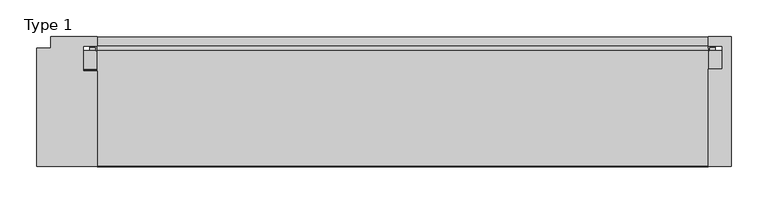
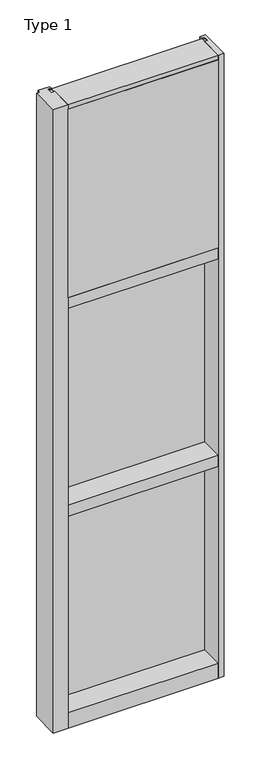
"""IFC4 building model written with IfcOpenShell, lengths in millimetres: plate geometry, Type 1."""

from ifc_helpers import new_model, si_unit, point, frame, frame_2d, origin, place, context, project, spatial, polyline, circle_curve, trimmed, segment, composite_curve, outline, extrude, source, transform, mapped, element, save


def type_1_2dd3aacb(model_context):
    return source(origin(), model_context, "Body", "SweptSolid", [
        extrude(outline(composite_curve([segment(polyline([(-417.5890008, 34.0361122), (-417.9999462, 27.686), (-418.9664521, 27.686), (-418.9939595, 31.7563748)]), True, "CONTINUOUS"), segment(trimmed(circle_curve(frame_2d((-419.628945, 31.7520836)), 0.635), [point((-418.9939595, 31.7563748))], [point((-419.5938642, 32.3861138))], True, "CARTESIAN"), True, "CONTINUOUS"), segment(polyline([(-419.5938642, 32.3861138), (-426.3492251, 32.7598869)]), True, "CONTINUOUS"), segment(trimmed(circle_curve(frame_2d((-426.1666718, 33.7593519)), 1.016), [point((-426.3492251, 32.7598869))], [point((-427.1442504, 34.0361122))], False, "CARTESIAN"), True, "CONTINUOUS"), segment(polyline([(-427.1442504, 34.0361122), (-417.5890008, 34.0361122)]), True, "CONTINUOUS")], self_intersect=False)), frame((0.0, 0.0, 2459.3728643), z_axis=(0.0, 0.0, 1.0), x_axis=(1.0, 0.0, 0.0)), (0.0, 0.0, 1.0), 1134.7271357),
        extrude(outline(composite_curve([segment(polyline([(417.9999462, 27.686), (417.5890008, 34.0361122), (427.1442504, 34.0361122)]), True, "CONTINUOUS"), segment(trimmed(circle_curve(frame_2d((426.1666718, 33.7593519)), 1.016), [point((427.1442504, 34.0361122))], [point((426.3492251, 32.7598869))], False, "CARTESIAN"), True, "CONTINUOUS"), segment(polyline([(426.3492251, 32.7598869), (419.5938642, 32.3861138)]), True, "CONTINUOUS"), segment(trimmed(circle_curve(frame_2d((419.628945, 31.7520836)), 0.635), [point((419.5938642, 32.3861138))], [point((418.9939595, 31.7563748))], True, "CARTESIAN"), True, "CONTINUOUS"), segment(polyline([(418.9939595, 31.7563748), (418.9664521, 27.686), (417.9999462, 27.686)]), True, "CONTINUOUS")], self_intersect=False)), frame((0.0, 0.0, 2459.3728643), z_axis=(0.0, 0.0, 1.0), x_axis=(1.0, 0.0, 0.0)), (0.0, 0.0, 1.0), 1134.7271357),
        extrude(outline(polyline([(34.0361122, 2459.3728643), (27.686, 2459.3728643), (27.686, 2471.8771952), (34.0361122, 2470.1238955), (34.0361122, 2459.3728643)])), frame((-427.1442504, 0.0, 0.0), z_axis=(1.0, 0.0, 0.0), x_axis=(0.0, 1.0, 0.0)), (0.0, 0.0, 1.0), 854.2885007),
        extrude(outline(polyline([(417.5125, -48.514), (417.5125, -131.0159103), (-417.5125, -131.0159103), (-417.5125, -48.514), (417.5125, -48.514)])), frame((0.0, 0.0, 2470.15), z_axis=(0.0, 0.0, 1.0), x_axis=(1.0, 0.0, 0.0)), (0.0, 0.0, 1.0), 1104.9),
        extrude(outline(polyline([(436.5625, 27.686), (436.5625, 2.286), (-436.5625, 2.286), (-436.5625, 27.686), (436.5625, 27.686)])), frame((0.0, 0.0, 2451.1), z_axis=(0.0, 0.0, 1.0), x_axis=(1.0, 0.0, 0.0)), (0.0, 0.0, 1.0), 1143.0),
        extrude(outline(polyline([(-417.5135892, -130.5814), (-500.0635892, -130.5814), (-500.0635892, 31.3944), (-481.0135892, 31.3944), (-481.0135892, 47.2186), (-417.5135892, 47.2186), (-417.5135892, 34.036), (-436.5635892, 34.036), (-436.5635892, 0.0), (-417.5135892, 0.0), (-417.5135892, -130.5814)])), frame((0.0, 0.0, -57.15), z_axis=(0.0, 0.0, 1.0), x_axis=(1.0, 0.0, 0.0)), (0.0, 0.0, 1.0), 3657.6),
        extrude(outline(polyline([(449.2625, -130.5814), (417.5125, -130.5814), (417.5125, 2.286), (436.5625, 2.286), (436.5625, 34.036), (417.5114108, 34.036), (417.5114108, 47.2186), (449.2625, 47.2186), (449.2625, -130.5814)])), frame((0.0, 0.0, -57.15), z_axis=(0.0, 0.0, 1.0), x_axis=(1.0, 0.0, 0.0)), (0.0, 0.0, 1.0), 3657.6),
        extrude(outline(polyline([(27.686, 1252.6752684), (34.036, 1250.9219997), (34.036, 1240.1709644), (27.686, 1240.1709644), (27.686, 1252.6752684)])), frame((-427.1453713, 0.0, 0.0), z_axis=(1.0, 0.0, 0.0), x_axis=(0.0, 1.0, 0.0)), (0.0, 0.0, 1.0), 854.2907427),
        extrude(outline(polyline([(27.6860992, 2417.4309356), (34.0360992, 2417.4309356), (34.0360992, 2406.6798775), (27.6860992, 2404.9266088), (27.6860992, 2417.4309356)])), frame((-427.1453713, 0.0, 0.0), z_axis=(1.0, 0.0, 0.0), x_axis=(0.0, 1.0, 0.0)), (0.0, 0.0, 1.0), 854.2907427),
        extrude(outline(composite_curve([segment(trimmed(circle_curve(frame_2d((-419.6300342, 31.7520836)), 0.635), [point((-418.9950487, 31.7563748))], [point((-419.5949534, 32.3861138))], True, "CARTESIAN"), True, "CONTINUOUS"), segment(polyline([(-419.5949534, 32.3861138), (-426.3503143, 32.7598869)]), True, "CONTINUOUS"), segment(trimmed(circle_curve(frame_2d((-426.1677611, 33.7593519)), 1.016), [point((-426.3503143, 32.7598869))], [point((-427.1453713, 34.036))], False, "CARTESIAN"), True, "CONTINUOUS"), segment(polyline([(-427.1453713, 34.036), (-417.5900972, 34.036), (-418.0010354, 27.686), (-418.9675413, 27.686), (-418.9950487, 31.7563748)]), True, "CONTINUOUS")], self_intersect=False)), frame((0.0, 0.0, 1240.1709644), z_axis=(0.0, 0.0, 1.0), x_axis=(1.0, 0.0, 0.0)), (0.0, 0.0, 1.0), 1177.2580861),
        extrude(outline(composite_curve([segment(polyline([(418.0010354, 27.686), (417.5900972, 34.036), (427.1453713, 34.036)]), True, "CONTINUOUS"), segment(trimmed(circle_curve(frame_2d((426.1677611, 33.7593519)), 1.016), [point((427.1453713, 34.036))], [point((426.3503143, 32.7598869))], False, "CARTESIAN"), True, "CONTINUOUS"), segment(polyline([(426.3503143, 32.7598869), (419.5949534, 32.3861138)]), True, "CONTINUOUS"), segment(trimmed(circle_curve(frame_2d((419.6300342, 31.7520836)), 0.635), [point((419.5949534, 32.3861138))], [point((418.9950487, 31.7563748))], True, "CARTESIAN"), True, "CONTINUOUS"), segment(polyline([(418.9950487, 31.7563748), (418.9675413, 27.686), (418.0010354, 27.686)]), True, "CONTINUOUS")], self_intersect=False)), frame((0.0, 0.0, 1240.1709644), z_axis=(0.0, 0.0, 1.0), x_axis=(1.0, 0.0, 0.0)), (0.0, 0.0, 1.0), 1177.2580861),
        extrude(outline(polyline([(436.5635892, 27.686), (436.5635892, 2.286), (-436.5635892, 2.286), (-436.5635892, 27.686), (436.5635892, 27.686)])), frame((0.0, 0.0, 1231.8962001), z_axis=(0.0, 0.0, 1.0), x_axis=(1.0, 0.0, 0.0)), (0.0, 0.0, 1.0), 1193.8037999),
        extrude(outline(polyline([(27.686, 33.4752684), (34.036, 31.7219997), (34.036, 20.9709644), (27.686, 20.9709644), (27.686, 33.4752684)])), frame((-427.1453713, 0.0, 0.0), z_axis=(1.0, 0.0, 0.0), x_axis=(0.0, 1.0, 0.0)), (0.0, 0.0, 1.0), 854.2907427),
        extrude(outline(polyline([(27.6860992, 1198.2309356), (34.0360992, 1198.2309356), (34.0360992, 1187.4798775), (27.6860992, 1185.7266088), (27.6860992, 1198.2309356)])), frame((-427.1453713, 0.0, 0.0), z_axis=(1.0, 0.0, 0.0), x_axis=(0.0, 1.0, 0.0)), (0.0, 0.0, 1.0), 854.2907427),
        extrude(outline(composite_curve([segment(trimmed(circle_curve(frame_2d((-419.6300342, 31.7520836)), 0.635), [point((-418.9950487, 31.7563748))], [point((-419.5949534, 32.3861138))], True, "CARTESIAN"), True, "CONTINUOUS"), segment(polyline([(-419.5949534, 32.3861138), (-426.3503143, 32.7598869)]), True, "CONTINUOUS"), segment(trimmed(circle_curve(frame_2d((-426.1677611, 33.7593519)), 1.016), [point((-426.3503143, 32.7598869))], [point((-427.1453713, 34.036))], False, "CARTESIAN"), True, "CONTINUOUS"), segment(polyline([(-427.1453713, 34.036), (-417.5900972, 34.036), (-418.0010354, 27.686), (-418.9675413, 27.686), (-418.9950487, 31.7563748)]), True, "CONTINUOUS")], self_intersect=False)), frame((0.0, 0.0, 20.9709644), z_axis=(0.0, 0.0, 1.0), x_axis=(1.0, 0.0, 0.0)), (0.0, 0.0, 1.0), 1177.2580861),
        extrude(outline(composite_curve([segment(polyline([(418.0010354, 27.686), (417.5900972, 34.036), (427.1453713, 34.036)]), True, "CONTINUOUS"), segment(trimmed(circle_curve(frame_2d((426.1677611, 33.7593519)), 1.016), [point((427.1453713, 34.036))], [point((426.3503143, 32.7598869))], False, "CARTESIAN"), True, "CONTINUOUS"), segment(polyline([(426.3503143, 32.7598869), (419.5949534, 32.3861138)]), True, "CONTINUOUS"), segment(trimmed(circle_curve(frame_2d((419.6300342, 31.7520836)), 0.635), [point((419.5949534, 32.3861138))], [point((418.9950487, 31.7563748))], True, "CARTESIAN"), True, "CONTINUOUS"), segment(polyline([(418.9950487, 31.7563748), (418.9675413, 27.686), (418.0010354, 27.686)]), True, "CONTINUOUS")], self_intersect=False)), frame((0.0, 0.0, 20.9709644), z_axis=(0.0, 0.0, 1.0), x_axis=(1.0, 0.0, 0.0)), (0.0, 0.0, 1.0), 1177.2580861),
        extrude(outline(polyline([(436.5635892, 27.686), (436.5635892, 2.286), (-436.5635892, 2.286), (-436.5635892, 27.686), (436.5635892, 27.686)])), frame((0.0, 0.0, 12.6962001), z_axis=(0.0, 0.0, 1.0), x_axis=(1.0, 0.0, 0.0)), (0.0, 0.0, 1.0), 1193.8037999),
        extrude(outline(polyline([(0.0, 2470.15), (0.0, 2451.1), (34.13125, 2451.1), (34.13125, 2470.1462001), (46.83125, 2470.1462001), (46.83125, 2406.6462001), (34.13125, 2406.6462001), (34.13125, 2425.7), (0.0, 2425.7), (0.0, 2406.65), (-130.175, 2406.65), (-130.175, 2470.15), (0.0, 2470.15)])), frame((-417.5125, 0.0, 0.0), z_axis=(1.0, 0.0, 0.0), x_axis=(0.0, 1.0, 0.0)), (0.0, 0.0, 1.0), 835.025),
        extrude(outline(polyline([(-130.0734, 3600.45), (27.686, 3600.45), (27.686, 3594.1), (0.0, 3594.1), (0.0, 3575.051832), (-130.0734, 3575.051832), (-130.0734, 3600.45)])), frame((-417.5125, 0.0, 0.0), z_axis=(1.0, 0.0, 0.0), x_axis=(0.0, 1.0, 0.0)), (0.0, 0.0, 1.0), 835.025),
        extrude(outline(polyline([(0.0, 1250.95), (0.0, 1231.9), (34.13125, 1231.9), (34.13125, 1250.9462001), (46.83125, 1250.9462001), (46.83125, 1187.4462001), (34.13125, 1187.4462001), (34.13125, 1206.5), (0.0, 1206.5), (0.0, 1187.45), (-130.175, 1187.45), (-130.175, 1250.95), (0.0, 1250.95)])), frame((-417.5125, 0.0, 0.0), z_axis=(1.0, 0.0, 0.0), x_axis=(0.0, 1.0, 0.0)), (0.0, 0.0, 1.0), 835.025),
        extrude(outline(polyline([(0.0, 31.75), (0.0, 12.7), (34.13125, 12.7), (34.13125, 31.751832), (47.2186148, 31.751832), (47.2186148, -57.15), (-130.175, -57.15), (-130.175, 31.75), (0.0, 31.75)])), frame((-417.5125, 0.0, 0.0), z_axis=(1.0, 0.0, 0.0), x_axis=(0.0, 1.0, 0.0)), (0.0, 0.0, 1.0), 835.025),
    ])


if __name__ == "__main__":
    model = new_model("IFC4")
    model_context = context("Model", 3, world=origin())
    ifc_project = project(units=[si_unit("LENGTHUNIT", "METRE", prefix="MILLI")], contexts=[model_context])
    site = spatial("IfcSite", under=ifc_project)
    building = spatial("IfcBuilding", under=site)
    placement = place(None, origin())
    type_1_shape = type_1_2dd3aacb(model_context)
    element("IfcPlate", 1, ObjectType="Type 1", at=placement, inside=building, context=model_context, shape_type="MappedRepresentation", body=[
        mapped(type_1_shape, transform((0.0, 0.0, 0.0), x_axis=(1.0, 0.0, 0.0), y_axis=(0.0, 1.0, 0.0), z_axis=(0.0, 0.0, 1.0))),
    ])
    save(model, "model.ifc")
